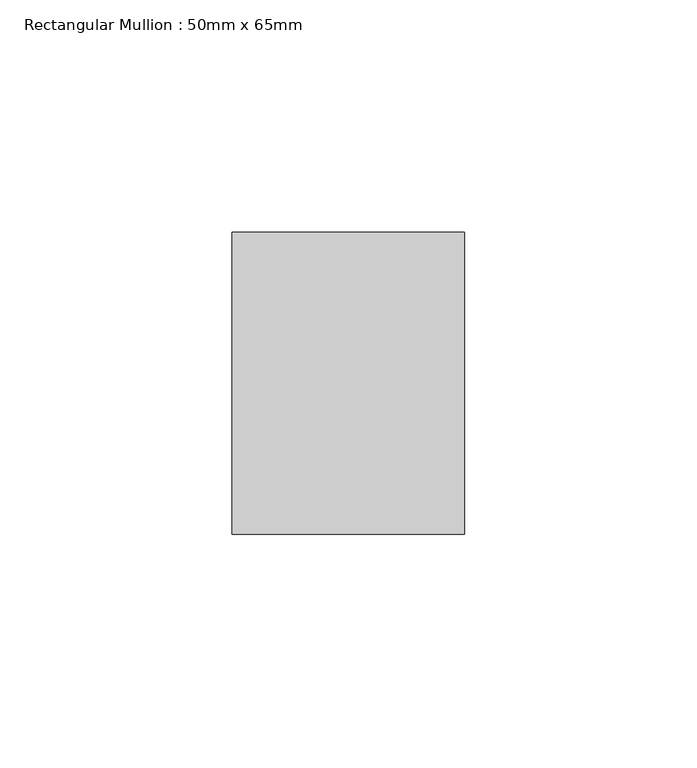
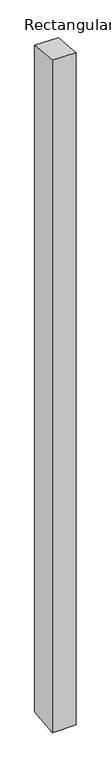
"""IFC4 building model written with IfcOpenShell, lengths in millimetres: member geometry, Rectangular Mullion : 50mm x 65mm."""

import ifcopenshell
import ifcopenshell.guid

model = None  # the IFC model being written
_history = None  # IfcOwnerHistory: only IFC2X3 demands one
_inside = {}  # id of a spatial element -> (the spatial element, [elements in it])
_under = {}  # id of a project, library or spatial element -> (it, [spatial elements below it])
_declared = {}  # id of a project -> (the project, [libraries it declares])
_typed = {}  # id of a type object -> (the type object, [elements of that type])
_made_of = {}  # id of a material, layer set ... -> (it, [elements and type objects made of it])


def new_model(schema):
    """Start an empty IFC model of exactly this schema.

    Asked for "IFC4X3", IfcOpenShell would pick the latest addendum, in which some entities
    have other attributes; the version numbers below select the first issue.
    IFC2X3 requires an IfcOwnerHistory on every rooted entity: one is made here for all.
    """
    global model, _history
    if schema == "IFC4X3":
        model = ifcopenshell.file(schema_version=(4, 3, 0, 0))
    else:
        model = ifcopenshell.file(schema=schema)
    _inside.clear()
    _under.clear()
    _declared.clear()
    _typed.clear()
    _made_of.clear()
    _history = None
    if model.schema == "IFC2X3":
        org = make("IfcOrganization", Name="unknown")
        user = make(
            "IfcPersonAndOrganization",
            ThePerson=make("IfcPerson", FamilyName="unknown"),
            TheOrganization=org,
        )
        app = make(
            "IfcApplication",
            ApplicationDeveloper=org,
            Version="unknown",
            ApplicationFullName="unknown",
            ApplicationIdentifier="unknown",
        )
        _history = make(
            "IfcOwnerHistory",
            OwningUser=user,
            OwningApplication=app,
            ChangeAction="ADDED",
            CreationDate=0,
        )
    return model


def make(cls, **values):
    """One entity of the class cls with the attributes given. An attribute that is None is left unset."""
    return model.create_entity(
        cls, **{name: value for name, value in values.items() if value is not None}
    )


def rooted(cls, **values):
    """An entity with a GlobalId (a new one), such as an element, a storey or a relation."""
    return make(cls, GlobalId=ifcopenshell.guid.new(), OwnerHistory=_history, **values)


def si_unit(unit_type, name, prefix=None):
    """IfcSIUnit, for example si_unit("LENGTHUNIT", "METRE", prefix="MILLI")."""
    return make("IfcSIUnit", UnitType=unit_type, Prefix=prefix, Name=name)


def assignment(units):
    """IfcUnitAssignment: the units of a project."""
    return None if units is None else make("IfcUnitAssignment", Units=units)


def point(xyz):
    """IfcCartesianPoint."""
    return None if xyz is None else make("IfcCartesianPoint", Coordinates=xyz)


def direction(xyz):
    """IfcDirection."""
    return None if xyz is None else make("IfcDirection", DirectionRatios=xyz)


def frame(location, z_axis=None, x_axis=None):
    """IfcAxis2Placement3D, a coordinate frame: its origin and axes. An axis left out is left unset."""
    return make(
        "IfcAxis2Placement3D",
        Location=point(location),
        Axis=direction(z_axis),
        RefDirection=direction(x_axis),
    )


def origin():
    """The frame at (0, 0, 0) with its axes left unset."""
    return frame((0.0, 0.0, 0.0))


def place(relative_to, where):
    """IfcLocalPlacement: puts the frame where relative to a parent placement (None: the world)."""
    return make(
        "IfcLocalPlacement", PlacementRelTo=relative_to, RelativePlacement=where
    )


def context(
    kind, dimensions, precision=None, world=None, true_north=None, identifier=None
):
    """IfcGeometricRepresentationContext, for example the 3D "Model" context."""
    return make(
        "IfcGeometricRepresentationContext",
        ContextIdentifier=identifier,
        ContextType=kind,
        CoordinateSpaceDimension=dimensions,
        Precision=precision,
        WorldCoordinateSystem=world,
        TrueNorth=true_north,
    )


def project(units=None, contexts=None):
    """IfcProject with its units and contexts."""
    return rooted(
        "IfcProject",
        Name="project",
        RepresentationContexts=contexts,
        UnitsInContext=assignment(units),
    )


def spatial(cls, under=None, at=None, **own):
    """A site, building, storey or space (cls), placed at a placement, below another one or the project."""
    s = rooted(cls, ObjectPlacement=at, **own)
    if under is not None:
        _under.setdefault(under.id(), (under, []))[1].append(s)
    return s


def faces_of(points, faces, orient=None, outer=None):
    """IfcFace entities. A face is a list of loops; a loop is a list of indices into points, from 0.

    orient and outer hold one flag for each loop. By default every Orientation is true, the
    first loop of a face is its IfcFaceOuterBound and the others are IfcFaceBound.
    """
    made = []
    for i, loops in enumerate(faces):
        bounds = []
        for j, loop in enumerate(loops):
            is_outer = j == 0 if outer is None else outer[i][j]
            bounds.append(
                make(
                    "IfcFaceOuterBound" if is_outer else "IfcFaceBound",
                    Bound=make("IfcPolyLoop", Polygon=[points[k] for k in loop]),
                    Orientation=True if orient is None else orient[i][j],
                )
            )
        made.append(make("IfcFace", Bounds=bounds))
    return made


def faceted_brep(points, faces, orient=None, outer=None, voids=None):
    """IfcFacetedBrep: a solid bounded by flat faces; with voids (closed shells), ...WithVoids."""
    shared = [point(p) for p in points]
    hull = make("IfcClosedShell", CfsFaces=faces_of(shared, faces, orient, outer))
    if voids is None:
        return make("IfcFacetedBrep", Outer=hull)
    return make(
        "IfcFacetedBrepWithVoids",
        Outer=hull,
        Voids=[
            make(cls, CfsFaces=faces_of(shared, fs, o, b)) for cls, fs, o, b in voids
        ],
    )


def shape(context_of_items, identifier, shape_type, items):
    """IfcShapeRepresentation: the items that make up one representation, for example the "Body"."""
    return make(
        "IfcShapeRepresentation",
        ContextOfItems=context_of_items,
        RepresentationIdentifier=identifier,
        RepresentationType=shape_type,
        Items=items,
    )


def source(mapping_origin, context_of_items, identifier, shape_type, items):
    """IfcRepresentationMap: a shape defined once, which mapped items show again and again."""
    return make(
        "IfcRepresentationMap",
        MappingOrigin=mapping_origin,
        MappedRepresentation=shape(context_of_items, identifier, shape_type, items),
    )


def transform(
    local_origin,
    x_axis=None,
    y_axis=None,
    z_axis=None,
    scale=None,
    scale2=None,
    scale3=None,
    uniform=True,
):
    """IfcCartesianTransformationOperator3D, or its non-uniform kind. x_axis, y_axis, z_axis: its Axis1, 2, 3."""
    if uniform:
        return make(
            "IfcCartesianTransformationOperator3D",
            Axis1=direction(x_axis),
            Axis2=direction(y_axis),
            LocalOrigin=point(local_origin),
            Scale=scale,
            Axis3=direction(z_axis),
        )
    return make(
        "IfcCartesianTransformationOperator3DnonUniform",
        Axis1=direction(x_axis),
        Axis2=direction(y_axis),
        LocalOrigin=point(local_origin),
        Scale=scale,
        Axis3=direction(z_axis),
        Scale2=scale2,
        Scale3=scale3,
    )


def mapped(mapping_source, mapping_target):
    """IfcMappedItem: shows the shape of a source again, moved by a transform."""
    return make(
        "IfcMappedItem", MappingSource=mapping_source, MappingTarget=mapping_target
    )


def made_of(thing, what):
    """Note that an element or type object is made of a material, layer set ...; save() writes the relation."""
    if what is not None:
        _made_of.setdefault(what.id(), (what, []))[1].append(thing)
    return thing


def element(
    cls,
    number,
    at=None,
    inside=None,
    cuts=None,
    type_object=None,
    material=None,
    context=None,
    identifier="Body",
    shape_type=None,
    held_by="IfcProductDefinitionShape",
    body=None,
    shapes=None,
    **own,
):
    """One element of the class cls, such as IfcWall. Its Tag is "e" and its number.

    at: its placement. inside: the storey or other place that contains it. cuts: it is an
    opening in that element (IfcRelVoidsElement). A single representation is given by context,
    identifier, shape_type and body (its items); several are given by shapes. held_by: the class
    of the entity that holds the representations. save() writes the other relations.
    """
    e = rooted(cls, Tag="e%d" % number, ObjectPlacement=at, **own)
    if body is not None:
        shapes = [shape(context, identifier, shape_type, body)]
    if shapes is not None:
        e.Representation = make(held_by, Representations=shapes)
    if inside is not None:
        _inside.setdefault(inside.id(), (inside, []))[1].append(e)
    if cuts is not None:
        rooted(
            "IfcRelVoidsElement", RelatingBuildingElement=cuts, RelatedOpeningElement=e
        )
    if type_object is not None:
        _typed.setdefault(type_object.id(), (type_object, []))[1].append(e)
    return made_of(e, material)


def aggregate(whole, parts):
    """IfcRelAggregates: a whole, such as a stair, and the parts it consists of."""
    return rooted("IfcRelAggregates", RelatingObject=whole, RelatedObjects=parts)


def save(model, path):
    """Write the relations noted so far, then the file.

    IfcRelAggregates (storeys below a building ...), IfcRelContainedInSpatialStructure (elements
    in a storey), IfcRelDefinesByType, IfcRelAssociatesMaterial and IfcRelDeclares: one each for
    every whole, place, type object, material and project.
    """
    for whole, parts in _under.values():
        aggregate(whole, parts)
    for where, things in _inside.values():
        rooted(
            "IfcRelContainedInSpatialStructure",
            RelatedElements=things,
            RelatingStructure=where,
        )
    for kind, things in _typed.values():
        rooted("IfcRelDefinesByType", RelatedObjects=things, RelatingType=kind)
    for what, things in _made_of.values():
        rooted("IfcRelAssociatesMaterial", RelatedObjects=things, RelatingMaterial=what)
    for by, libraries in _declared.values():
        rooted("IfcRelDeclares", RelatingContext=by, RelatedDefinitions=libraries)
    model.write(path)


def rectangular_mullion_50mm_x_65mm_23eb1968(model_context):
    return source(origin(), model_context, "Body", "Brep", [
        faceted_brep([(-25.0, 32.5, -2.9911624), (25.0, 32.5, -2.9911506), (25.0, 32.5, -1496.6284046), (-25.0, 32.5, -1496.6283913), (-25.0, -32.5, 2.9911506), (-25.0, -32.5, -1503.3717568), (25.0, -32.5, 2.9911624), (25.0, -32.5, -1503.3717701)], [[[0, 1, 2, 3]], [[4, 0, 3, 5]], [[6, 4, 5, 7]], [[1, 6, 7, 2]], [[1, 0, 4, 6]], [[2, 7, 5, 3]]]),
    ])


if __name__ == "__main__":
    model = new_model("IFC4")
    model_context = context("Model", 3, world=origin())
    ifc_project = project(units=[si_unit("LENGTHUNIT", "METRE", prefix="MILLI")], contexts=[model_context])
    site = spatial("IfcSite", under=ifc_project)
    building = spatial("IfcBuilding", under=site)
    placement = place(None, origin())
    rectangular_mullion_50mm_x_65mm_shape = rectangular_mullion_50mm_x_65mm_23eb1968(model_context)
    element("IfcMember", 1, ObjectType="Rectangular Mullion : 50mm x 65mm", at=placement, inside=building, context=model_context, shape_type="MappedRepresentation", body=[
        mapped(rectangular_mullion_50mm_x_65mm_shape, transform((0.0, 0.0, 0.0), x_axis=(1.0, 0.0, 0.0), y_axis=(0.0, 1.0, 0.0), z_axis=(0.0, 0.0, 1.0))),
    ])
    save(model, "model.ifc")
